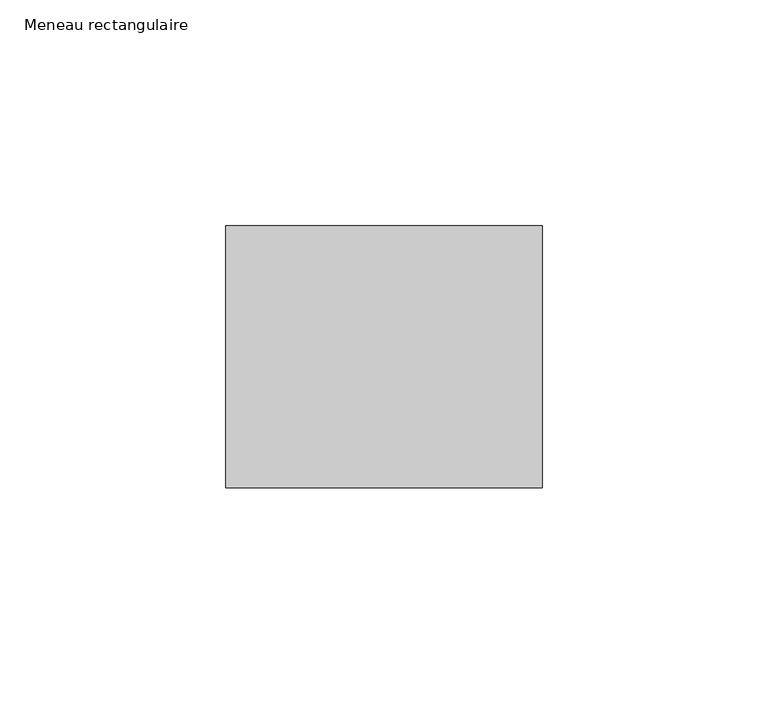
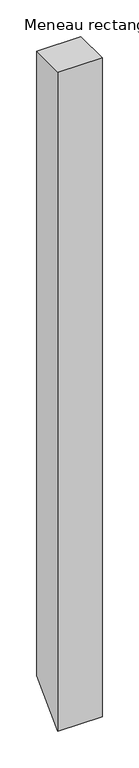
"""IFC4 building model written with IfcOpenShell, lengths in millimetres: member geometry, Meneau rectangulaire."""

from ifc_helpers import new_model, si_unit, frame, origin, place, context, project, spatial, polyline, outline, extrude, source, transform, mapped, element, save


def meneau_rectangulaire_0928336e(model_context):
    return source(origin(), model_context, "Body", "SweptSolid", [
        extrude(outline(polyline([(-29.0, 0.0), (29.0, 0.0), (29.0, -1042.7164022), (-29.0, -1100.7164022), (-29.0, 0.0)])), frame((-70.0, 0.0, 0.0), z_axis=(1.0, 0.0, 0.0), x_axis=(0.0, 1.0, 0.0)), (0.0, 0.0, 1.0), 70.0),
    ])


if __name__ == "__main__":
    model = new_model("IFC4")
    model_context = context("Model", 3, world=origin())
    ifc_project = project(units=[si_unit("LENGTHUNIT", "METRE", prefix="MILLI")], contexts=[model_context])
    site = spatial("IfcSite", under=ifc_project)
    building = spatial("IfcBuilding", under=site)
    placement = place(None, origin())
    meneau_rectangulaire_shape = meneau_rectangulaire_0928336e(model_context)
    element("IfcMember", 1, ObjectType="Meneau rectangulaire", at=placement, inside=building, context=model_context, shape_type="MappedRepresentation", body=[
        mapped(meneau_rectangulaire_shape, transform((0.0, 0.0, 0.0), x_axis=(1.0, 0.0, 0.0), y_axis=(0.0, 1.0, 0.0), z_axis=(0.0, 0.0, 1.0))),
    ])
    save(model, "model.ifc")
